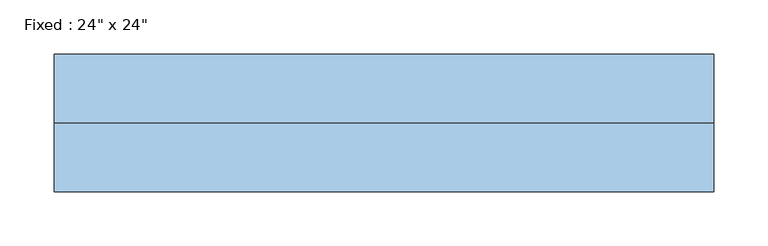
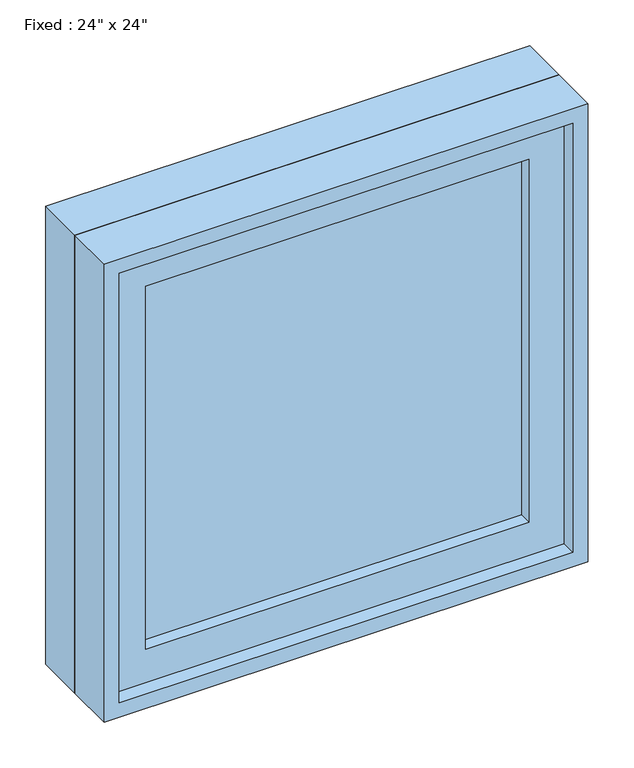
"""IFC4 building model written with IfcOpenShell, lengths in millimetres: window geometry."""

from ifc_helpers import new_model, si_unit, frame, origin, place, context, project, spatial, polyline, outline, extrude, source, transform, mapped, element, save


def window_eb43efd5(model_context):
    return source(origin(), model_context, "Body", "SweptSolid", [
        extrude(outline(polyline([(203.2, -15.875), (203.2, -28.575), (-279.4, -28.575), (-279.4, -15.875), (203.2, -15.875)])), frame((0.0, 0.0, 977.9), z_axis=(0.0, 0.0, 1.0), x_axis=(1.0, 0.0, 0.0)), (0.0, 0.0, 1.0), 482.6),
        extrude(outline(polyline([(1504.95, -323.85), (933.45, -323.85), (933.45, 247.65), (1504.95, 247.65), (1504.95, -323.85)]), holes=[polyline([(1460.5, -279.4), (1460.5, 203.2), (977.9, 203.2), (977.9, -279.4), (1460.5, -279.4)])]), frame((0.0, -44.45, 0.0), z_axis=(0.0, 1.0, 0.0), x_axis=(0.0, 0.0, 1.0)), (0.0, 0.0, 1.0), 44.45),
        extrude(outline(polyline([(1524.0, -342.9), (914.4, -342.9), (914.4, 266.7), (1524.0, 266.7), (1524.0, -342.9)]), holes=[polyline([(1492.25, -311.15), (1492.25, 234.95), (946.15, 234.95), (946.15, -311.15), (1492.25, -311.15)])]), frame((0.0, 0.0, 0.0), z_axis=(0.0, 1.0, 0.0), x_axis=(0.0, 0.0, 1.0)), (0.0, 0.0, 1.0), 63.5),
        extrude(outline(polyline([(1524.0, 266.7), (1524.0, -342.9), (914.4, -342.9), (914.4, 266.7), (1524.0, 266.7)]), holes=[polyline([(1504.95, 247.65), (933.45, 247.65), (933.45, -323.85), (1504.95, -323.85), (1504.95, 247.65)])]), frame((0.0, -63.5, 0.0), z_axis=(0.0, 1.0, 0.0), x_axis=(0.0, 0.0, 1.0)), (0.0, 0.0, 1.0), 63.5),
    ])


if __name__ == "__main__":
    model = new_model("IFC4")
    model_context = context("Model", 3, world=origin())
    ifc_project = project(units=[si_unit("LENGTHUNIT", "METRE", prefix="MILLI")], contexts=[model_context])
    site = spatial("IfcSite", under=ifc_project)
    building = spatial("IfcBuilding", under=site)
    placement = place(None, origin())
    window_shape = window_eb43efd5(model_context)
    element("IfcWindow", 1, ObjectType="Fixed : 24\" x 24\"", at=placement, inside=building, context=model_context, shape_type="MappedRepresentation", body=[
        mapped(window_shape, transform((0.0, 0.0, 0.0), x_axis=(1.0, 0.0, 0.0), y_axis=(0.0, 1.0, 0.0), z_axis=(0.0, 0.0, 1.0))),
    ])
    save(model, "model.ifc")
